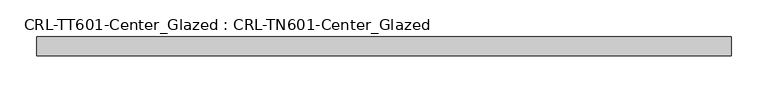
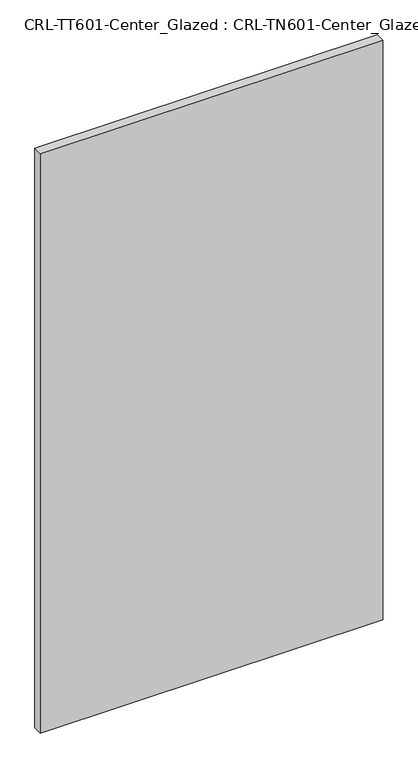
"""IFC4 building model written with IfcOpenShell, lengths in millimetres: plate geometry, CRL-TT601-Center_Glazed : CRL-TN601-Center_Glazed."""

from ifc_helpers import new_model, si_unit, origin, origin_with_axes, place, context, project, spatial, polyline, outline, extrude, source, transform, mapped, element, save


def crl_tt601_center_glazed_crl_tn601_center_glazed_f257e487(model_context):
    return source(origin(), model_context, "Body", "SweptSolid", [
        extrude(outline(polyline([(-469.903778, -12.7254), (-469.903778, 12.6746), (469.903778, 12.6746), (469.903778, -12.7254), (-469.903778, -12.7254)])), origin_with_axes(), (0.0, 0.0, 1.0), 1680.6127438),
    ])


if __name__ == "__main__":
    model = new_model("IFC4")
    model_context = context("Model", 3, world=origin())
    ifc_project = project(units=[si_unit("LENGTHUNIT", "METRE", prefix="MILLI")], contexts=[model_context])
    site = spatial("IfcSite", under=ifc_project)
    building = spatial("IfcBuilding", under=site)
    placement = place(None, origin())
    crl_tt601_center_glazed_crl_tn601_center_glazed_shape = crl_tt601_center_glazed_crl_tn601_center_glazed_f257e487(model_context)
    element("IfcPlate", 1, ObjectType="CRL-TT601-Center_Glazed : CRL-TN601-Center_Glazed", at=placement, inside=building, context=model_context, shape_type="MappedRepresentation", body=[
        mapped(crl_tt601_center_glazed_crl_tn601_center_glazed_shape, transform((0.0, 0.0, 0.0), x_axis=(1.0, 0.0, 0.0), y_axis=(0.0, 1.0, 0.0), z_axis=(0.0, 0.0, 1.0))),
    ])
    save(model, "model.ifc")
